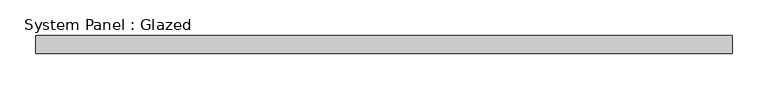
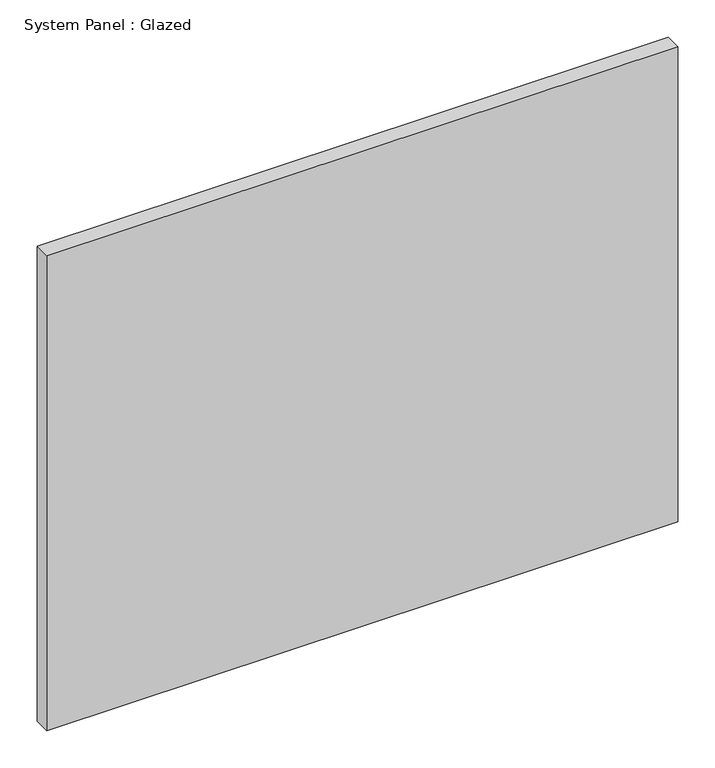
"""IFC4 building model written with IfcOpenShell, lengths in millimetres: plate geometry, System Panel : Glazed."""

from ifc_helpers import new_model, si_unit, origin, origin_with_axes, place, context, project, spatial, polyline, outline, extrude, source, transform, mapped, element, save


def system_panel_glazed_1bdb1bf7(model_context):
    return source(origin(), model_context, "Body", "SweptSolid", [
        extrude(outline(polyline([(490.5374999, 0.0), (-490.5374999, 0.0), (-490.5374999, 25.4), (490.5374999, 25.4), (490.5374999, 0.0)])), origin_with_axes(), (0.0, 0.0, 1.0), 781.0499998),
    ])


if __name__ == "__main__":
    model = new_model("IFC4")
    model_context = context("Model", 3, world=origin())
    ifc_project = project(units=[si_unit("LENGTHUNIT", "METRE", prefix="MILLI")], contexts=[model_context])
    site = spatial("IfcSite", under=ifc_project)
    building = spatial("IfcBuilding", under=site)
    placement = place(None, origin())
    system_panel_glazed_shape = system_panel_glazed_1bdb1bf7(model_context)
    element("IfcPlate", 1, ObjectType="System Panel : Glazed", at=placement, inside=building, context=model_context, shape_type="MappedRepresentation", body=[
        mapped(system_panel_glazed_shape, transform((0.0, 0.0, 0.0), x_axis=(1.0, 0.0, 0.0), y_axis=(0.0, 1.0, 0.0), z_axis=(0.0, 0.0, 1.0))),
    ])
    save(model, "model.ifc")
